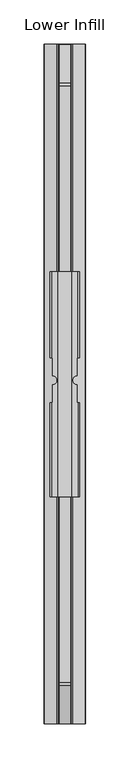
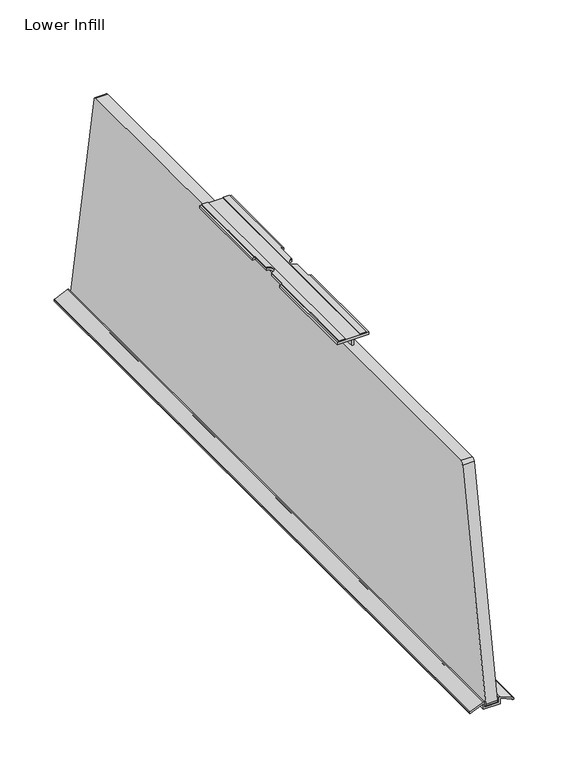
"""IFC4 building model written with IfcOpenShell, lengths in millimetres: furniture geometry, Lower Infill."""

from ifc_helpers import new_model, si_unit, point, frame, frame_2d, origin, place, context, project, spatial, polyline, circle_curve, trimmed, segment, composite_curve, outline, extrude, source, transform, mapped, element, save


def lower_infill_5093e7bb(model_context):
    return source(origin(), model_context, "Body", "SweptSolid", [
        extrude(outline(composite_curve([segment(polyline([(727.3045256, 16.8483173), (733.4053549, 16.8483173), (733.4053549, 15.6367634), (727.4498521, 1.4984313)]), True, "CONTINUOUS"), segment(trimmed(circle_curve(frame_2d((726.6441842, 1.8378035)), 0.8742278), [point((727.4498521, 1.4984313))], [point((726.6136741, 0.9641082))], False, "CARTESIAN"), True, "CONTINUOUS"), segment(polyline([(726.6136741, 0.9641082), (725.277944, 1.010753), (725.277944, 2.4550533), (725.9838615, 2.8463498), (731.3938797, 14.7924092)]), True, "CONTINUOUS"), segment(trimmed(circle_curve(frame_2d((731.0151616, 14.9639195)), 0.4157442), [point((731.3938797, 14.7924092))], [point((731.0151616, 15.3796636))], True, "CARTESIAN"), True, "CONTINUOUS"), segment(polyline([(731.0151616, 15.3796636), (725.5318529, 15.3796636), (725.5318529, 33.7439364), (731.0151616, 33.7439364)]), True, "CONTINUOUS"), segment(trimmed(circle_curve(frame_2d((731.0151616, 34.1596805)), 0.4157442), [point((731.0151616, 33.7439364))], [point((731.3938797, 34.3311908))], True, "CARTESIAN"), True, "CONTINUOUS"), segment(polyline([(731.3938797, 34.3311908), (725.9838615, 46.2772502), (725.277944, 46.6685467), (725.277944, 48.112847), (726.6136741, 48.1594918)]), True, "CONTINUOUS"), segment(trimmed(circle_curve(frame_2d((726.6441842, 47.2857965)), 0.8742278), [point((726.6136741, 48.1594918))], [point((727.4498521, 47.6251687))], False, "CARTESIAN"), True, "CONTINUOUS"), segment(polyline([(727.4498521, 47.6251687), (733.4053549, 33.4868366), (733.4053549, 32.0768452), (727.3045256, 32.0768452), (727.3045256, 16.8483173)]), True, "CONTINUOUS")], self_intersect=False)), frame((0.0, 152.879554, 0.0), z_axis=(0.0, 1.0, 0.0), x_axis=(0.0, 0.0, 1.0)), (0.0, 0.0, 1.0), 768.0875409),
        extrude(outline(composite_curve([segment(trimmed(circle_curve(frame_2d((917.3645184, 729.5526798)), 2.8936428), [point((920.2142002, 730.0551556))], [point((917.3645184, 726.659037))], False, "CARTESIAN"), True, "CONTINUOUS"), segment(polyline([(917.3645184, 726.659037), (155.9601618, 726.659037)]), True, "CONTINUOUS"), segment(trimmed(circle_curve(frame_2d((155.9601618, 729.754317)), 3.09528), [point((155.9601618, 726.659037))], [point((152.9119061, 730.2918067))], False, "CARTESIAN"), True, "CONTINUOUS"), segment(polyline([(152.9119061, 730.2918067), (195.8310801, 973.6985377)]), True, "CONTINUOUS"), segment(trimmed(circle_curve(frame_2d((199.6557449, 973.0241461)), 3.8836664), [point((195.8310801, 973.6985377))], [point((199.6557449, 976.9078125))], False, "CARTESIAN"), True, "CONTINUOUS"), segment(polyline([(199.6557449, 976.9078125), (873.5849639, 976.9078125)]), True, "CONTINUOUS"), segment(trimmed(circle_curve(frame_2d((873.5849639, 973.2104534)), 3.6973591), [point((873.5849639, 976.9078125))], [point((877.2261518, 973.8524931))], False, "CARTESIAN"), True, "CONTINUOUS"), segment(polyline([(877.2261518, 973.8524931), (920.2142002, 730.0551556)]), True, "CONTINUOUS")], self_intersect=False)), frame((18.3377491, 0.0, 0.0), z_axis=(1.0, 0.0, 0.0), x_axis=(0.0, 1.0, 0.0)), (0.0, 0.0, 1.0), 12.4475211),
        extrude(outline(composite_curve([segment(polyline([(38.3158444, 566.4459443), (38.3158444, 546.0869541)]), True, "CONTINUOUS"), segment(trimmed(circle_curve(frame_2d((38.3158444, 541.0283867)), 5.0585674), [point((38.3158444, 546.0869541))], [point((38.3158444, 535.9698193))], True, "CARTESIAN"), True, "CONTINUOUS"), segment(polyline([(38.3158444, 535.9698193), (38.3158444, 515.5348269), (39.1647369, 515.5348269), (39.1647369, 409.6367799), (32.7531582, 409.6367799), (32.7531582, 663.6370706), (39.1013415, 663.6370706), (39.1013415, 566.4459443), (38.3158444, 566.4459443)]), True, "CONTINUOUS")], self_intersect=False)), frame((0.0, 0.0, 986.5171097), z_axis=(0.0, 0.0, 1.0), x_axis=(1.0, 0.0, 0.0)), (0.0, 0.0, 1.0), 1.0160233),
        extrude(outline(composite_curve([segment(polyline([(10.8077556, 566.4459443), (10.0222585, 566.4459443), (10.0222585, 663.6369737), (16.3704418, 663.6369737), (16.3704418, 409.6367799), (9.9588631, 409.6367799), (9.9588631, 515.5348269), (10.8077556, 515.5348269), (10.8077556, 535.9698193)]), True, "CONTINUOUS"), segment(trimmed(circle_curve(frame_2d((10.8077556, 541.0283867)), 5.0585674), [point((10.8077556, 535.9698193))], [point((10.8077556, 546.0869541))], True, "CARTESIAN"), True, "CONTINUOUS"), segment(polyline([(10.8077556, 546.0869541), (10.8077556, 566.4459443)]), True, "CONTINUOUS")], self_intersect=False)), frame((0.0, 0.0, 986.5171097), z_axis=(0.0, 0.0, 1.0), x_axis=(1.0, 0.0, 0.0)), (0.0, 0.0, 1.0), 1.0160233),
        extrude(outline(composite_curve([segment(polyline([(41.3835302, 663.6366619), (41.3835302, 566.4459443), (38.3158444, 566.4459443), (38.3158444, 546.0869541)]), True, "CONTINUOUS"), segment(trimmed(circle_curve(frame_2d((38.3158444, 541.0283867)), 5.0585674), [point((38.3158444, 546.0869541))], [point((38.3158444, 535.9698193))], True, "CARTESIAN"), True, "CONTINUOUS"), segment(polyline([(38.3158444, 535.9698193), (38.3158444, 515.5348269), (41.3835302, 515.5348269), (41.3835302, 409.6370916), (7.7400698, 409.6370916), (7.7400698, 515.5348269), (10.8077556, 515.5348269), (10.8077556, 535.9698193)]), True, "CONTINUOUS"), segment(trimmed(circle_curve(frame_2d((10.8077556, 541.0283867)), 5.0585674), [point((10.8077556, 535.9698193))], [point((10.8077556, 546.0869541))], True, "CARTESIAN"), True, "CONTINUOUS"), segment(polyline([(10.8077556, 546.0869541), (10.8077556, 566.4459443), (7.8735207, 566.4459443), (7.8735207, 663.6366619), (41.3835302, 663.6366619)]), True, "CONTINUOUS")], self_intersect=False)), frame((0.0, 0.0, 983.9771484), z_axis=(0.0, 0.0, 1.0), x_axis=(1.0, 0.0, 0.0)), (0.0, 0.0, 1.0), 2.5399612),
        extrude(outline(polyline([(983.9771484, 23.4223899), (974.5452327, 23.4223899), (972.2960062, 23.8189892), (972.2960062, 25.3790737), (974.640298, 25.8347578), (983.9771484, 25.8347578), (983.9771484, 23.4223899)])), frame((0.0, 409.6384479, 0.0), z_axis=(0.0, 1.0, 0.0), x_axis=(0.0, 0.0, 1.0)), (0.0, 0.0, 1.0), 253.9968578),
    ])


if __name__ == "__main__":
    model = new_model("IFC4")
    model_context = context("Model", 3, world=origin())
    ifc_project = project(units=[si_unit("LENGTHUNIT", "METRE", prefix="MILLI")], contexts=[model_context])
    site = spatial("IfcSite", under=ifc_project)
    building = spatial("IfcBuilding", under=site)
    placement = place(None, origin())
    lower_infill_shape = lower_infill_5093e7bb(model_context)
    element("IfcFurniture", 1, ObjectType="Lower Infill", at=placement, inside=building, context=model_context, shape_type="MappedRepresentation", body=[
        mapped(lower_infill_shape, transform((0.0, 0.0, 0.0), x_axis=(1.0, 0.0, 0.0), y_axis=(0.0, 1.0, 0.0), z_axis=(0.0, 0.0, 1.0))),
    ])
    save(model, "model.ifc")
